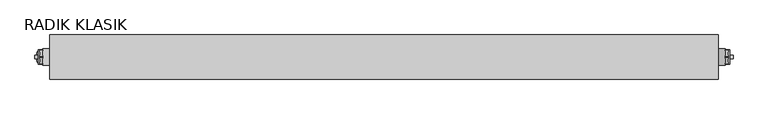
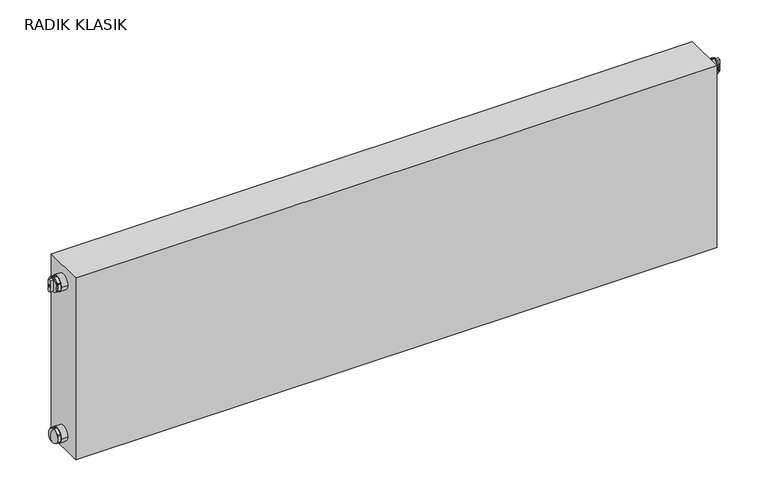
"""IFC4 building model written with IfcOpenShell, lengths in millimetres: proxy geometry, RADIK KLASIK."""

import ifcopenshell
import ifcopenshell.guid

model = None  # the IFC model being written
_history = None  # IfcOwnerHistory: only IFC2X3 demands one
_inside = {}  # id of a spatial element -> (the spatial element, [elements in it])
_under = {}  # id of a project, library or spatial element -> (it, [spatial elements below it])
_declared = {}  # id of a project -> (the project, [libraries it declares])
_typed = {}  # id of a type object -> (the type object, [elements of that type])
_made_of = {}  # id of a material, layer set ... -> (it, [elements and type objects made of it])


def new_model(schema):
    """Start an empty IFC model of exactly this schema.

    Asked for "IFC4X3", IfcOpenShell would pick the latest addendum, in which some entities
    have other attributes; the version numbers below select the first issue.
    IFC2X3 requires an IfcOwnerHistory on every rooted entity: one is made here for all.
    """
    global model, _history
    if schema == "IFC4X3":
        model = ifcopenshell.file(schema_version=(4, 3, 0, 0))
    else:
        model = ifcopenshell.file(schema=schema)
    _inside.clear()
    _under.clear()
    _declared.clear()
    _typed.clear()
    _made_of.clear()
    _history = None
    if model.schema == "IFC2X3":
        org = make("IfcOrganization", Name="unknown")
        user = make(
            "IfcPersonAndOrganization",
            ThePerson=make("IfcPerson", FamilyName="unknown"),
            TheOrganization=org,
        )
        app = make(
            "IfcApplication",
            ApplicationDeveloper=org,
            Version="unknown",
            ApplicationFullName="unknown",
            ApplicationIdentifier="unknown",
        )
        _history = make(
            "IfcOwnerHistory",
            OwningUser=user,
            OwningApplication=app,
            ChangeAction="ADDED",
            CreationDate=0,
        )
    return model


def make(cls, **values):
    """One entity of the class cls with the attributes given. An attribute that is None is left unset."""
    return model.create_entity(
        cls, **{name: value for name, value in values.items() if value is not None}
    )


def rooted(cls, **values):
    """An entity with a GlobalId (a new one), such as an element, a storey or a relation."""
    return make(cls, GlobalId=ifcopenshell.guid.new(), OwnerHistory=_history, **values)


def si_unit(unit_type, name, prefix=None):
    """IfcSIUnit, for example si_unit("LENGTHUNIT", "METRE", prefix="MILLI")."""
    return make("IfcSIUnit", UnitType=unit_type, Prefix=prefix, Name=name)


def assignment(units):
    """IfcUnitAssignment: the units of a project."""
    return None if units is None else make("IfcUnitAssignment", Units=units)


def point(xyz):
    """IfcCartesianPoint."""
    return None if xyz is None else make("IfcCartesianPoint", Coordinates=xyz)


def direction(xyz):
    """IfcDirection."""
    return None if xyz is None else make("IfcDirection", DirectionRatios=xyz)


def frame(location, z_axis=None, x_axis=None):
    """IfcAxis2Placement3D, a coordinate frame: its origin and axes. An axis left out is left unset."""
    return make(
        "IfcAxis2Placement3D",
        Location=point(location),
        Axis=direction(z_axis),
        RefDirection=direction(x_axis),
    )


def frame_2d(location, x_axis=None):
    """IfcAxis2Placement2D, a coordinate frame in the plane: its origin and x axis."""
    return make(
        "IfcAxis2Placement2D", Location=point(location), RefDirection=direction(x_axis)
    )


def origin():
    """The frame at (0, 0, 0) with its axes left unset."""
    return frame((0.0, 0.0, 0.0))


def place(relative_to, where):
    """IfcLocalPlacement: puts the frame where relative to a parent placement (None: the world)."""
    return make(
        "IfcLocalPlacement", PlacementRelTo=relative_to, RelativePlacement=where
    )


def context(
    kind, dimensions, precision=None, world=None, true_north=None, identifier=None
):
    """IfcGeometricRepresentationContext, for example the 3D "Model" context."""
    return make(
        "IfcGeometricRepresentationContext",
        ContextIdentifier=identifier,
        ContextType=kind,
        CoordinateSpaceDimension=dimensions,
        Precision=precision,
        WorldCoordinateSystem=world,
        TrueNorth=true_north,
    )


def project(units=None, contexts=None):
    """IfcProject with its units and contexts."""
    return rooted(
        "IfcProject",
        Name="project",
        RepresentationContexts=contexts,
        UnitsInContext=assignment(units),
    )


def spatial(cls, under=None, at=None, **own):
    """A site, building, storey or space (cls), placed at a placement, below another one or the project."""
    s = rooted(cls, ObjectPlacement=at, **own)
    if under is not None:
        _under.setdefault(under.id(), (under, []))[1].append(s)
    return s


def polyline(points):
    """IfcPolyline through the points."""
    return make("IfcPolyline", Points=[point(p) for p in points])


def circle_curve(where, radius):
    """IfcCircle in the frame where."""
    return make("IfcCircle", Position=where, Radius=radius)


def ellipse_curve(where, semi_axis1, semi_axis2):
    """IfcEllipse in the frame where."""
    return make(
        "IfcEllipse", Position=where, SemiAxis1=semi_axis1, SemiAxis2=semi_axis2
    )


def trimmed(basis, trim1, trim2, sense, master):
    """IfcTrimmedCurve: the piece of a basis curve between two trims."""
    return make(
        "IfcTrimmedCurve",
        BasisCurve=basis,
        Trim1=trim1,
        Trim2=trim2,
        SenseAgreement=sense,
        MasterRepresentation=master,
    )


def segment(curve, same_sense, transition):
    """IfcCompositeCurveSegment."""
    return make(
        "IfcCompositeCurveSegment",
        Transition=transition,
        SameSense=same_sense,
        ParentCurve=curve,
    )


def composite_curve(segments, self_intersect=None):
    """IfcCompositeCurve: segments joined end to end."""
    return make("IfcCompositeCurve", Segments=segments, SelfIntersect=self_intersect)


def outline(outer, holes=None, kind="AREA"):
    """IfcArbitraryClosedProfileDef: a profile drawn as a closed curve; with holes, ...WithVoids."""
    if holes is None:
        return make("IfcArbitraryClosedProfileDef", ProfileType=kind, OuterCurve=outer)
    return make(
        "IfcArbitraryProfileDefWithVoids",
        ProfileType=kind,
        OuterCurve=outer,
        InnerCurves=holes,
    )


def extrude(swept, where, along, depth):
    """IfcExtrudedAreaSolid: the profile swept, set in the frame where, extruded along a direction by depth."""
    return make(
        "IfcExtrudedAreaSolid",
        SweptArea=swept,
        Position=where,
        ExtrudedDirection=direction(along),
        Depth=depth,
    )


def shape(context_of_items, identifier, shape_type, items):
    """IfcShapeRepresentation: the items that make up one representation, for example the "Body"."""
    return make(
        "IfcShapeRepresentation",
        ContextOfItems=context_of_items,
        RepresentationIdentifier=identifier,
        RepresentationType=shape_type,
        Items=items,
    )


def source(mapping_origin, context_of_items, identifier, shape_type, items):
    """IfcRepresentationMap: a shape defined once, which mapped items show again and again."""
    return make(
        "IfcRepresentationMap",
        MappingOrigin=mapping_origin,
        MappedRepresentation=shape(context_of_items, identifier, shape_type, items),
    )


def transform(
    local_origin,
    x_axis=None,
    y_axis=None,
    z_axis=None,
    scale=None,
    scale2=None,
    scale3=None,
    uniform=True,
):
    """IfcCartesianTransformationOperator3D, or its non-uniform kind. x_axis, y_axis, z_axis: its Axis1, 2, 3."""
    if uniform:
        return make(
            "IfcCartesianTransformationOperator3D",
            Axis1=direction(x_axis),
            Axis2=direction(y_axis),
            LocalOrigin=point(local_origin),
            Scale=scale,
            Axis3=direction(z_axis),
        )
    return make(
        "IfcCartesianTransformationOperator3DnonUniform",
        Axis1=direction(x_axis),
        Axis2=direction(y_axis),
        LocalOrigin=point(local_origin),
        Scale=scale,
        Axis3=direction(z_axis),
        Scale2=scale2,
        Scale3=scale3,
    )


def mapped(mapping_source, mapping_target):
    """IfcMappedItem: shows the shape of a source again, moved by a transform."""
    return make(
        "IfcMappedItem", MappingSource=mapping_source, MappingTarget=mapping_target
    )


def made_of(thing, what):
    """Note that an element or type object is made of a material, layer set ...; save() writes the relation."""
    if what is not None:
        _made_of.setdefault(what.id(), (what, []))[1].append(thing)
    return thing


def element(
    cls,
    number,
    at=None,
    inside=None,
    cuts=None,
    type_object=None,
    material=None,
    context=None,
    identifier="Body",
    shape_type=None,
    held_by="IfcProductDefinitionShape",
    body=None,
    shapes=None,
    **own,
):
    """One element of the class cls, such as IfcWall. Its Tag is "e" and its number.

    at: its placement. inside: the storey or other place that contains it. cuts: it is an
    opening in that element (IfcRelVoidsElement). A single representation is given by context,
    identifier, shape_type and body (its items); several are given by shapes. held_by: the class
    of the entity that holds the representations. save() writes the other relations.
    """
    e = rooted(cls, Tag="e%d" % number, ObjectPlacement=at, **own)
    if body is not None:
        shapes = [shape(context, identifier, shape_type, body)]
    if shapes is not None:
        e.Representation = make(held_by, Representations=shapes)
    if inside is not None:
        _inside.setdefault(inside.id(), (inside, []))[1].append(e)
    if cuts is not None:
        rooted(
            "IfcRelVoidsElement", RelatingBuildingElement=cuts, RelatedOpeningElement=e
        )
    if type_object is not None:
        _typed.setdefault(type_object.id(), (type_object, []))[1].append(e)
    return made_of(e, material)


def aggregate(whole, parts):
    """IfcRelAggregates: a whole, such as a stair, and the parts it consists of."""
    return rooted("IfcRelAggregates", RelatingObject=whole, RelatedObjects=parts)


def save(model, path):
    """Write the relations noted so far, then the file.

    IfcRelAggregates (storeys below a building ...), IfcRelContainedInSpatialStructure (elements
    in a storey), IfcRelDefinesByType, IfcRelAssociatesMaterial and IfcRelDeclares: one each for
    every whole, place, type object, material and project.
    """
    for whole, parts in _under.values():
        aggregate(whole, parts)
    for where, things in _inside.values():
        rooted(
            "IfcRelContainedInSpatialStructure",
            RelatedElements=things,
            RelatingStructure=where,
        )
    for kind, things in _typed.values():
        rooted("IfcRelDefinesByType", RelatedObjects=things, RelatingType=kind)
    for what, things in _made_of.values():
        rooted("IfcRelAssociatesMaterial", RelatedObjects=things, RelatingMaterial=what)
    for by, libraries in _declared.values():
        rooted("IfcRelDeclares", RelatingContext=by, RelatedDefinitions=libraries)
    model.write(path)


def plane_surface(at):
    """IfcPlane: the flat surface through the origin of the frame at, square to its z axis."""
    return make("IfcPlane", Position=at)


def revolved_surface(curve, axis_point, axis_direction):
    """IfcSurfaceOfRevolution: the curve turned about the line through axis_point along axis_direction."""
    return make(
        "IfcSurfaceOfRevolution",
        SweptCurve=make("IfcArbitraryOpenProfileDef", ProfileType="CURVE", Curve=curve),
        AxisPosition=make("IfcAxis1Placement", Location=point(axis_point), Axis=direction(axis_direction)),
    )


def advanced_brep(points, edges, surfaces, faces):
    """IfcAdvancedBrep: a solid bounded by faces that lie on surfaces and meet in shared edges.

    An edge is (start, end): straight between two places in points (the first is 0);
    or (start, end, curve); or (start, end, curve, False) where it runs against its curve.
    A face is (place in surfaces, loops), or (place, loops, False) where it looks against
    its surface's normal. A loop lists edges by number (the first is 1), with a minus sign
    where the edge is run from its end to its start. The first loop is the outer one.
    """
    corners = [point(p) for p in points]
    vertices = [make("IfcVertexPoint", VertexGeometry=c) for c in corners]
    made = []
    for start, end, *more in edges:
        made.append(
            make(
                "IfcEdgeCurve",
                EdgeStart=vertices[start],
                EdgeEnd=vertices[end],
                EdgeGeometry=more[0] if more else make("IfcPolyline", Points=[corners[start], corners[end]]),
                SameSense=more[1] if len(more) > 1 else True,
            )
        )
    hull = []
    for where, loops, *sense in faces:
        bounds = []
        for j, loop in enumerate(loops):
            ring = [make("IfcOrientedEdge", EdgeElement=made[abs(k) - 1], Orientation=k > 0) for k in loop]
            bounds.append(
                make(
                    "IfcFaceOuterBound" if j == 0 else "IfcFaceBound",
                    Bound=make("IfcEdgeLoop", EdgeList=ring),
                    Orientation=True,
                )
            )
        hull.append(make("IfcAdvancedFace", Bounds=bounds, FaceSurface=surfaces[where], SameSense=sense[0] if sense else True))
    return make("IfcAdvancedBrep", Outer=make("IfcClosedShell", CfsFaces=hull))


def radik_klasik_811b82ab(model_context):
    return source(origin(), model_context, "Body", "SolidModel", [
        advanced_brep(
        [(-515.0, 33.0, 114.2179803), (-515.0, 33.0, 135.7820197), (-519.9999931, 33.0, 125.0), (-515.0, 33.0, 125.0)],
        [
            (0, 1, circle_curve(frame((-515.0, 33.0, 125.0), z_axis=(-1.0, 0.0, 0.0), x_axis=(0.0, 0.0, 1.0)), 10.7820197)),
            (1, 2, ellipse_curve(frame((-515.0, 33.0, 124.9820197), z_axis=(0.0, -1.0, 0.0), x_axis=(0.0, 0.0, 1.0)), 10.8, 5.0)),
            (2, 0, ellipse_curve(frame((-515.0, 33.0, 125.0179803), z_axis=(0.0, -1.0, 0.0), x_axis=(0.0, 0.0, -1.0)), 10.8, 5.0)),
            (1, 0, circle_curve(frame((-515.0, 33.0, 125.0), z_axis=(-1.0, 0.0, 0.0), x_axis=(0.0, 0.0, 1.0)), 10.7820197)),
            (3, 1),
            (0, 3),
        ],
        [
            revolved_surface(trimmed(ellipse_curve(frame((-515.0, 33.0, 124.9820197), z_axis=(0.0, 1.0, 0.0), x_axis=(0.0, 0.0, 1.0)), 10.8, 5.0), [point((-519.9999931, 33.0, 125.0))], [point((-515.0, 33.0, 135.7820197))], True, "CARTESIAN"), (-524.1201305, 33.0, 125.0), (1.0, 0.0, 0.0)),
            plane_surface(frame((-515.0, 33.0, 125.0), z_axis=(1.0, 0.0, 0.0), x_axis=(0.0, 0.0, 1.0))),
        ],
        [
            (0, [[1, 2, 3]]),
            (0, [[4, -3, -2]]),
            (1, [[5, -1, 6]]),
            (1, [[-6, -4, -5]]),
        ],
    ),
        extrude(outline(composite_curve([segment(polyline([(43.8253175, 130.1780788), (43.8253175, 119.8219212)]), True, "CONTINUOUS"), segment(trimmed(circle_curve(frame_2d((33.0, 125.0)), 12.0), [point((43.8253175, 119.8219212))], [point((42.8970066, 118.2140394))], False, "CARTESIAN"), True, "CONTINUOUS"), segment(polyline([(42.8970066, 118.2140394), (33.928311, 113.0359606)]), True, "CONTINUOUS"), segment(trimmed(circle_curve(frame_2d((33.0, 125.0)), 12.0), [point((33.928311, 113.0359606))], [point((32.071689, 113.0359606))], False, "CARTESIAN"), True, "CONTINUOUS"), segment(polyline([(32.071689, 113.0359606), (23.1029934, 118.2140394)]), True, "CONTINUOUS"), segment(trimmed(circle_curve(frame_2d((33.0, 125.0)), 12.0), [point((23.1029934, 118.2140394))], [point((22.1746825, 119.8219212))], False, "CARTESIAN"), True, "CONTINUOUS"), segment(polyline([(22.1746825, 119.8219212), (22.1746825, 130.1780788)]), True, "CONTINUOUS"), segment(trimmed(circle_curve(frame_2d((33.0, 125.0)), 12.0), [point((22.1746825, 130.1780788))], [point((23.1029934, 131.7859606))], False, "CARTESIAN"), True, "CONTINUOUS"), segment(polyline([(23.1029934, 131.7859606), (32.071689, 136.9640394)]), True, "CONTINUOUS"), segment(trimmed(circle_curve(frame_2d((33.0, 125.0)), 12.0), [point((32.071689, 136.9640394))], [point((33.928311, 136.9640394))], False, "CARTESIAN"), True, "CONTINUOUS"), segment(polyline([(33.928311, 136.9640394), (42.8970066, 131.7859606)]), True, "CONTINUOUS"), segment(trimmed(circle_curve(frame_2d((33.0, 125.0)), 12.0), [point((42.8970066, 131.7859606))], [point((43.8253175, 130.1780788))], False, "CARTESIAN"), True, "CONTINUOUS")], self_intersect=False)), frame((-515.0, 0.0, 0.0), z_axis=(1.0, 0.0, 0.0), x_axis=(0.0, 1.0, 0.0)), (0.0, 0.0, 1.0), 5.0),
        extrude(outline(composite_curve([segment(trimmed(circle_curve(frame_2d((33.0, 125.0)), 12.0), [point((21.0, 125.0))], [point((45.0, 125.0))], False, "CARTESIAN"), True, "CONTINUOUS"), segment(trimmed(circle_curve(frame_2d((33.0, 125.0)), 12.0), [point((45.0, 125.0))], [point((21.0, 125.0))], False, "CARTESIAN"), True, "CONTINUOUS")], self_intersect=False)), frame((-510.0, 0.0, 0.0), z_axis=(1.0, 0.0, 0.0), x_axis=(0.0, 1.0, 0.0)), (0.0, 0.0, 1.0), 10.0),
        extrude(outline(composite_curve([segment(trimmed(circle_curve(frame_2d((33.2, 375.0)), 1.5), [point((33.2, 376.5))], [point((33.2, 373.5))], False, "CARTESIAN"), True, "CONTINUOUS"), segment(polyline([(33.2, 373.5), (33.2, 376.5)]), True, "CONTINUOUS")], self_intersect=False)), frame((-522.0, 0.0, 0.0), z_axis=(1.0, 0.0, 0.0), x_axis=(0.0, 1.0, 0.0)), (0.0, 0.0, 1.0), 22.0),
        extrude(outline(composite_curve([segment(polyline([(32.8, 376.5), (32.8, 373.5)]), True, "CONTINUOUS"), segment(trimmed(circle_curve(frame_2d((32.8, 375.0)), 1.5), [point((32.8, 373.5))], [point((32.8, 376.5))], False, "CARTESIAN"), True, "CONTINUOUS")], self_intersect=False)), frame((-522.0, 0.0, 0.0), z_axis=(1.0, 0.0, 0.0), x_axis=(0.0, 1.0, 0.0)), (0.0, 0.0, 1.0), 22.0),
        extrude(outline(composite_curve([segment(trimmed(circle_curve(frame_2d((33.0, 370.330127)), 5.0), [point((35.5, 366.0))], [point((30.5, 366.0))], False, "CARTESIAN"), True, "CONTINUOUS"), segment(polyline([(30.5, 366.0), (30.5, 384.0)]), True, "CONTINUOUS"), segment(trimmed(circle_curve(frame_2d((33.0, 379.669873)), 5.0), [point((30.5, 384.0))], [point((35.5, 384.0))], False, "CARTESIAN"), True, "CONTINUOUS"), segment(polyline([(35.5, 384.0), (35.5, 366.0)]), True, "CONTINUOUS")], self_intersect=False), holes=[composite_curve([segment(trimmed(circle_curve(frame_2d((33.0, 375.0)), 2.0), [point((35.0, 375.0))], [point((31.0, 375.0))], True, "CARTESIAN"), True, "CONTINUOUS"), segment(trimmed(circle_curve(frame_2d((33.0, 375.0)), 2.0), [point((31.0, 375.0))], [point((35.0, 375.0))], True, "CARTESIAN"), True, "CONTINUOUS")], self_intersect=False)]), frame((-522.0, 0.0, 0.0), z_axis=(1.0, 0.0, 0.0), x_axis=(0.0, 1.0, 0.0)), (0.0, 0.0, 1.0), 5.0),
        extrude(outline(composite_curve([segment(trimmed(circle_curve(frame_2d((33.0, 375.0)), 10.8253175), [point((43.8253175, 375.0))], [point((22.1746825, 375.0))], False, "CARTESIAN"), True, "CONTINUOUS"), segment(trimmed(circle_curve(frame_2d((33.0, 375.0)), 10.8253175), [point((22.1746825, 375.0))], [point((43.8253175, 375.0))], False, "CARTESIAN"), True, "CONTINUOUS")], self_intersect=False)), frame((-517.0, 0.0, 0.0), z_axis=(1.0, 0.0, 0.0), x_axis=(0.0, 1.0, 0.0)), (0.0, 0.0, 1.0), 2.0),
        extrude(outline(composite_curve([segment(polyline([(43.8253175, 380.1780788), (43.8253175, 369.8219212)]), True, "CONTINUOUS"), segment(trimmed(circle_curve(frame_2d((33.0, 375.0)), 12.0), [point((43.8253175, 369.8219212))], [point((42.8970066, 368.2140394))], False, "CARTESIAN"), True, "CONTINUOUS"), segment(polyline([(42.8970066, 368.2140394), (33.928311, 363.0359606)]), True, "CONTINUOUS"), segment(trimmed(circle_curve(frame_2d((33.0, 375.0)), 12.0), [point((33.928311, 363.0359606))], [point((32.071689, 363.0359606))], False, "CARTESIAN"), True, "CONTINUOUS"), segment(polyline([(32.071689, 363.0359606), (23.1029934, 368.2140394)]), True, "CONTINUOUS"), segment(trimmed(circle_curve(frame_2d((33.0, 375.0)), 12.0), [point((23.1029934, 368.2140394))], [point((22.1746825, 369.8219212))], False, "CARTESIAN"), True, "CONTINUOUS"), segment(polyline([(22.1746825, 369.8219212), (22.1746825, 380.1780788)]), True, "CONTINUOUS"), segment(trimmed(circle_curve(frame_2d((33.0, 375.0)), 12.0), [point((22.1746825, 380.1780788))], [point((23.1029934, 381.7859606))], False, "CARTESIAN"), True, "CONTINUOUS"), segment(polyline([(23.1029934, 381.7859606), (32.071689, 386.9640394)]), True, "CONTINUOUS"), segment(trimmed(circle_curve(frame_2d((33.0, 375.0)), 12.0), [point((32.071689, 386.9640394))], [point((33.928311, 386.9640394))], False, "CARTESIAN"), True, "CONTINUOUS"), segment(polyline([(33.928311, 386.9640394), (42.8970066, 381.7859606)]), True, "CONTINUOUS"), segment(trimmed(circle_curve(frame_2d((33.0, 375.0)), 12.0), [point((42.8970066, 381.7859606))], [point((43.8253175, 380.1780788))], False, "CARTESIAN"), True, "CONTINUOUS")], self_intersect=False)), frame((-515.0, 0.0, 0.0), z_axis=(1.0, 0.0, 0.0), x_axis=(0.0, 1.0, 0.0)), (0.0, 0.0, 1.0), 5.0),
        extrude(outline(composite_curve([segment(trimmed(circle_curve(frame_2d((33.0, 375.0)), 12.0), [point((21.0, 375.0))], [point((45.0, 375.0))], False, "CARTESIAN"), True, "CONTINUOUS"), segment(trimmed(circle_curve(frame_2d((33.0, 375.0)), 12.0), [point((45.0, 375.0))], [point((21.0, 375.0))], False, "CARTESIAN"), True, "CONTINUOUS")], self_intersect=False)), frame((-510.0, 0.0, 0.0), z_axis=(1.0, 0.0, 0.0), x_axis=(0.0, 1.0, 0.0)), (0.0, 0.0, 1.0), 10.0),
        extrude(outline(composite_curve([segment(trimmed(circle_curve(frame_2d((33.2, 375.0)), 1.5), [point((33.2, 376.5))], [point((33.2, 373.5))], False, "CARTESIAN"), True, "CONTINUOUS"), segment(polyline([(33.2, 373.5), (33.2, 376.5)]), True, "CONTINUOUS")], self_intersect=False)), frame((500.0, 0.0, 0.0), z_axis=(1.0, 0.0, 0.0), x_axis=(0.0, 1.0, 0.0)), (0.0, 0.0, 1.0), 22.0),
        extrude(outline(composite_curve([segment(polyline([(32.8, 376.5), (32.8, 373.5)]), True, "CONTINUOUS"), segment(trimmed(circle_curve(frame_2d((32.8, 375.0)), 1.5), [point((32.8, 373.5))], [point((32.8, 376.5))], False, "CARTESIAN"), True, "CONTINUOUS")], self_intersect=False)), frame((500.0, 0.0, 0.0), z_axis=(1.0, 0.0, 0.0), x_axis=(0.0, 1.0, 0.0)), (0.0, 0.0, 1.0), 22.0),
        extrude(outline(composite_curve([segment(trimmed(circle_curve(frame_2d((33.0, 370.330127)), 5.0), [point((35.5, 366.0))], [point((30.5, 366.0))], False, "CARTESIAN"), True, "CONTINUOUS"), segment(polyline([(30.5, 366.0), (30.5, 384.0)]), True, "CONTINUOUS"), segment(trimmed(circle_curve(frame_2d((33.0, 379.669873)), 5.0), [point((30.5, 384.0))], [point((35.5, 384.0))], False, "CARTESIAN"), True, "CONTINUOUS"), segment(polyline([(35.5, 384.0), (35.5, 366.0)]), True, "CONTINUOUS")], self_intersect=False), holes=[composite_curve([segment(trimmed(circle_curve(frame_2d((33.0, 375.0)), 2.0), [point((35.0, 375.0))], [point((31.0, 375.0))], True, "CARTESIAN"), True, "CONTINUOUS"), segment(trimmed(circle_curve(frame_2d((33.0, 375.0)), 2.0), [point((31.0, 375.0))], [point((35.0, 375.0))], True, "CARTESIAN"), True, "CONTINUOUS")], self_intersect=False)]), frame((517.0, 0.0, 0.0), z_axis=(1.0, 0.0, 0.0), x_axis=(0.0, 1.0, 0.0)), (0.0, 0.0, 1.0), 5.0),
        extrude(outline(composite_curve([segment(trimmed(circle_curve(frame_2d((33.0, 375.0)), 10.8253175), [point((43.8253175, 375.0))], [point((22.1746825, 375.0))], False, "CARTESIAN"), True, "CONTINUOUS"), segment(trimmed(circle_curve(frame_2d((33.0, 375.0)), 10.8253175), [point((22.1746825, 375.0))], [point((43.8253175, 375.0))], False, "CARTESIAN"), True, "CONTINUOUS")], self_intersect=False)), frame((515.0, 0.0, 0.0), z_axis=(1.0, 0.0, 0.0), x_axis=(0.0, 1.0, 0.0)), (0.0, 0.0, 1.0), 2.0),
        extrude(outline(composite_curve([segment(trimmed(circle_curve(frame_2d((33.0, 375.0)), 12.0), [point((42.8970066, 381.7859606))], [point((43.8253175, 380.1780788))], False, "CARTESIAN"), True, "CONTINUOUS"), segment(polyline([(43.8253175, 380.1780788), (43.8253175, 369.8219212)]), True, "CONTINUOUS"), segment(trimmed(circle_curve(frame_2d((33.0, 375.0)), 12.0), [point((43.8253175, 369.8219212))], [point((42.8970066, 368.2140394))], False, "CARTESIAN"), True, "CONTINUOUS"), segment(polyline([(42.8970066, 368.2140394), (33.928311, 363.0359606)]), True, "CONTINUOUS"), segment(trimmed(circle_curve(frame_2d((33.0, 375.0)), 12.0), [point((33.928311, 363.0359606))], [point((32.071689, 363.0359606))], False, "CARTESIAN"), True, "CONTINUOUS"), segment(polyline([(32.071689, 363.0359606), (23.1029934, 368.2140394)]), True, "CONTINUOUS"), segment(trimmed(circle_curve(frame_2d((33.0, 375.0)), 12.0), [point((23.1029934, 368.2140394))], [point((22.1746825, 369.8219212))], False, "CARTESIAN"), True, "CONTINUOUS"), segment(polyline([(22.1746825, 369.8219212), (22.1746825, 380.1780788)]), True, "CONTINUOUS"), segment(trimmed(circle_curve(frame_2d((33.0, 375.0)), 12.0), [point((22.1746825, 380.1780788))], [point((23.1029934, 381.7859606))], False, "CARTESIAN"), True, "CONTINUOUS"), segment(polyline([(23.1029934, 381.7859606), (32.071689, 386.9640394)]), True, "CONTINUOUS"), segment(trimmed(circle_curve(frame_2d((33.0, 375.0)), 12.0), [point((32.071689, 386.9640394))], [point((33.928311, 386.9640394))], False, "CARTESIAN"), True, "CONTINUOUS"), segment(polyline([(33.928311, 386.9640394), (42.8970066, 381.7859606)]), True, "CONTINUOUS")], self_intersect=False)), frame((510.0, 0.0, 0.0), z_axis=(1.0, 0.0, 0.0), x_axis=(0.0, 1.0, 0.0)), (0.0, 0.0, 1.0), 5.0),
        extrude(outline(composite_curve([segment(trimmed(circle_curve(frame_2d((33.0, 375.0)), 12.0), [point((45.0, 375.0))], [point((21.0, 375.0))], False, "CARTESIAN"), True, "CONTINUOUS"), segment(trimmed(circle_curve(frame_2d((33.0, 375.0)), 12.0), [point((21.0, 375.0))], [point((45.0, 375.0))], False, "CARTESIAN"), True, "CONTINUOUS")], self_intersect=False)), frame((500.0, 0.0, 0.0), z_axis=(1.0, 0.0, 0.0), x_axis=(0.0, 1.0, 0.0)), (0.0, 0.0, 1.0), 10.0),
        extrude(outline(polyline([(500.0, 0.0), (-500.0, 0.0), (-500.0, 66.0), (500.0, 66.0), (500.0, 0.0)])), frame((0.0, 0.0, 100.0), z_axis=(0.0, 0.0, 1.0), x_axis=(1.0, 0.0, 0.0)), (0.0, 0.0, 1.0), 300.0),
    ])


if __name__ == "__main__":
    model = new_model("IFC4")
    model_context = context("Model", 3, world=origin())
    ifc_project = project(units=[si_unit("LENGTHUNIT", "METRE", prefix="MILLI")], contexts=[model_context])
    site = spatial("IfcSite", under=ifc_project)
    building = spatial("IfcBuilding", under=site)
    placement = place(None, origin())
    radik_klasik_shape = radik_klasik_811b82ab(model_context)
    element("IfcBuildingElementProxy", 1, Name="RADIK KLASIK", ObjectType="RADIK KLASIK", at=placement, inside=building, context=model_context, shape_type="MappedRepresentation", body=[
        mapped(radik_klasik_shape, transform((0.0, 0.0, 0.0), x_axis=(1.0, 0.0, 0.0), y_axis=(0.0, 1.0, 0.0), z_axis=(0.0, 0.0, 1.0))),
    ])
    save(model, "model.ifc")
